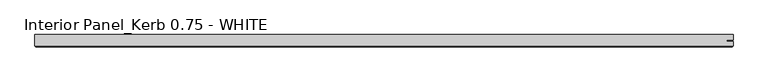
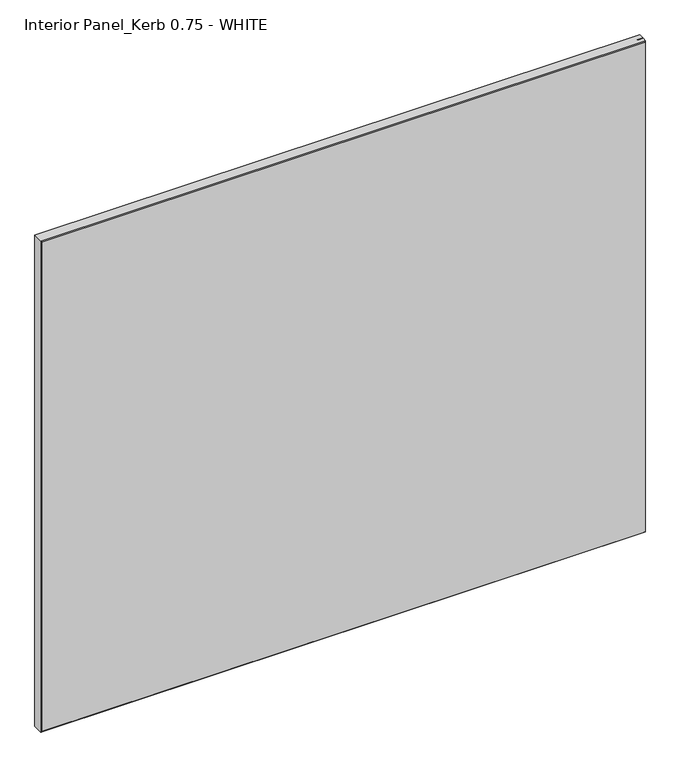
"""IFC4 building model written with IfcOpenShell, lengths in millimetres: proxy geometry, Interior Panel_Kerb 0.75 - WHITE."""

from ifc_helpers import new_model, si_unit, origin, place, context, project, spatial, faceted_brep, source, transform, mapped, element, save


def interior_panel_kerb_0_75_white_4446e8bd(model_context):
    return source(origin(), model_context, "Body", "Brep", [
        faceted_brep([(992.1875, 3.175, 914.4), (-73.025, 3.175, 914.4), (-73.025, -14.2875, 914.4), (992.1875, -14.2875, 914.4), (992.1875, -7.4168, 914.4), (982.3648437, -7.4168, 914.4), (982.3648437, -5.2832, 914.4), (992.1875, -5.2832, 914.4), (992.1875, 3.175, 0.0), (992.1875, -5.2832, 0.0), (982.3648437, -5.2832, 0.0), (982.3648437, -7.4168, 0.0), (992.1875, -7.4168, 0.0), (992.1875, -14.2875, 0.0), (-73.025, -14.2875, 0.0), (-73.025, 3.175, 0.0), (-71.4375, -15.875, 912.8125), (-71.4375, -15.875, 1.5875), (990.6, -15.875, 1.5875), (990.6, -15.875, 912.8125)], [[[0, 1, 2, 3, 4, 5, 6, 7]], [[8, 9, 10, 11, 12, 13, 14, 15]], [[1, 0, 8, 15]], [[2, 1, 15, 14]], [[16, 17, 18, 19]], [[4, 3, 13, 12]], [[2, 14, 17, 16]], [[13, 3, 19, 18]], [[3, 2, 16, 19]], [[14, 13, 18, 17]], [[5, 4, 12, 11]], [[6, 5, 11, 10]], [[7, 6, 10, 9]], [[0, 7, 9, 8]]]),
    ])


if __name__ == "__main__":
    model = new_model("IFC4")
    model_context = context("Model", 3, world=origin())
    ifc_project = project(units=[si_unit("LENGTHUNIT", "METRE", prefix="MILLI")], contexts=[model_context])
    site = spatial("IfcSite", under=ifc_project)
    building = spatial("IfcBuilding", under=site)
    placement = place(None, origin())
    interior_panel_kerb_0_75_white_shape = interior_panel_kerb_0_75_white_4446e8bd(model_context)
    element("IfcBuildingElementProxy", 1, Name="Interior Panel_Kerb 0.75 - WHITE", ObjectType="Interior Panel_Kerb 0.75 - WHITE", at=placement, inside=building, context=model_context, shape_type="MappedRepresentation", body=[
        mapped(interior_panel_kerb_0_75_white_shape, transform((0.0, 0.0, 0.0), x_axis=(1.0, 0.0, 0.0), y_axis=(0.0, 1.0, 0.0), z_axis=(0.0, 0.0, 1.0))),
    ])
    save(model, "model.ifc")
